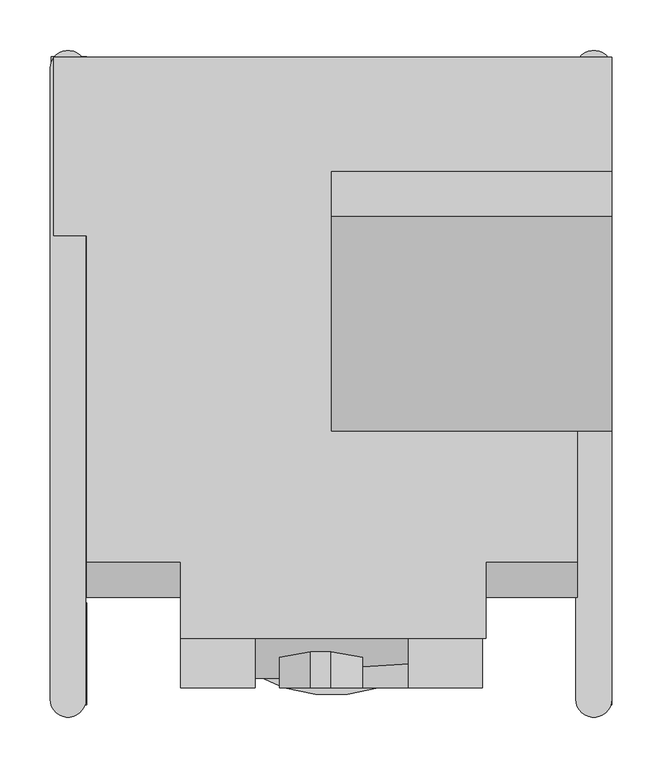
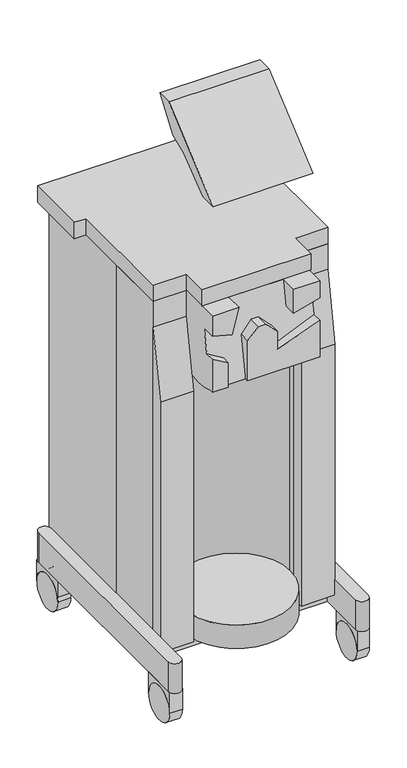
"""IFC4 building model written with IfcOpenShell, lengths in millimetres: proxy geometry."""

import ifcopenshell
import ifcopenshell.guid

model = None  # the IFC model being written
_history = None  # IfcOwnerHistory: only IFC2X3 demands one
_inside = {}  # id of a spatial element -> (the spatial element, [elements in it])
_under = {}  # id of a project, library or spatial element -> (it, [spatial elements below it])
_declared = {}  # id of a project -> (the project, [libraries it declares])
_typed = {}  # id of a type object -> (the type object, [elements of that type])
_made_of = {}  # id of a material, layer set ... -> (it, [elements and type objects made of it])


def new_model(schema):
    """Start an empty IFC model of exactly this schema.

    Asked for "IFC4X3", IfcOpenShell would pick the latest addendum, in which some entities
    have other attributes; the version numbers below select the first issue.
    IFC2X3 requires an IfcOwnerHistory on every rooted entity: one is made here for all.
    """
    global model, _history
    if schema == "IFC4X3":
        model = ifcopenshell.file(schema_version=(4, 3, 0, 0))
    else:
        model = ifcopenshell.file(schema=schema)
    _inside.clear()
    _under.clear()
    _declared.clear()
    _typed.clear()
    _made_of.clear()
    _history = None
    if model.schema == "IFC2X3":
        org = make("IfcOrganization", Name="unknown")
        user = make(
            "IfcPersonAndOrganization",
            ThePerson=make("IfcPerson", FamilyName="unknown"),
            TheOrganization=org,
        )
        app = make(
            "IfcApplication",
            ApplicationDeveloper=org,
            Version="unknown",
            ApplicationFullName="unknown",
            ApplicationIdentifier="unknown",
        )
        _history = make(
            "IfcOwnerHistory",
            OwningUser=user,
            OwningApplication=app,
            ChangeAction="ADDED",
            CreationDate=0,
        )
    return model


def make(cls, **values):
    """One entity of the class cls with the attributes given. An attribute that is None is left unset."""
    return model.create_entity(
        cls, **{name: value for name, value in values.items() if value is not None}
    )


def rooted(cls, **values):
    """An entity with a GlobalId (a new one), such as an element, a storey or a relation."""
    return make(cls, GlobalId=ifcopenshell.guid.new(), OwnerHistory=_history, **values)


def si_unit(unit_type, name, prefix=None):
    """IfcSIUnit, for example si_unit("LENGTHUNIT", "METRE", prefix="MILLI")."""
    return make("IfcSIUnit", UnitType=unit_type, Prefix=prefix, Name=name)


def assignment(units):
    """IfcUnitAssignment: the units of a project."""
    return None if units is None else make("IfcUnitAssignment", Units=units)


def point(xyz):
    """IfcCartesianPoint."""
    return None if xyz is None else make("IfcCartesianPoint", Coordinates=xyz)


def direction(xyz):
    """IfcDirection."""
    return None if xyz is None else make("IfcDirection", DirectionRatios=xyz)


def frame(location, z_axis=None, x_axis=None):
    """IfcAxis2Placement3D, a coordinate frame: its origin and axes. An axis left out is left unset."""
    return make(
        "IfcAxis2Placement3D",
        Location=point(location),
        Axis=direction(z_axis),
        RefDirection=direction(x_axis),
    )


def frame_2d(location, x_axis=None):
    """IfcAxis2Placement2D, a coordinate frame in the plane: its origin and x axis."""
    return make(
        "IfcAxis2Placement2D", Location=point(location), RefDirection=direction(x_axis)
    )


def origin():
    """The frame at (0, 0, 0) with its axes left unset."""
    return frame((0.0, 0.0, 0.0))


def place(relative_to, where):
    """IfcLocalPlacement: puts the frame where relative to a parent placement (None: the world)."""
    return make(
        "IfcLocalPlacement", PlacementRelTo=relative_to, RelativePlacement=where
    )


def context(
    kind, dimensions, precision=None, world=None, true_north=None, identifier=None
):
    """IfcGeometricRepresentationContext, for example the 3D "Model" context."""
    return make(
        "IfcGeometricRepresentationContext",
        ContextIdentifier=identifier,
        ContextType=kind,
        CoordinateSpaceDimension=dimensions,
        Precision=precision,
        WorldCoordinateSystem=world,
        TrueNorth=true_north,
    )


def project(units=None, contexts=None):
    """IfcProject with its units and contexts."""
    return rooted(
        "IfcProject",
        Name="project",
        RepresentationContexts=contexts,
        UnitsInContext=assignment(units),
    )


def spatial(cls, under=None, at=None, **own):
    """A site, building, storey or space (cls), placed at a placement, below another one or the project."""
    s = rooted(cls, ObjectPlacement=at, **own)
    if under is not None:
        _under.setdefault(under.id(), (under, []))[1].append(s)
    return s


def polyline(points):
    """IfcPolyline through the points."""
    return make("IfcPolyline", Points=[point(p) for p in points])


def circle_curve(where, radius):
    """IfcCircle in the frame where."""
    return make("IfcCircle", Position=where, Radius=radius)


def trimmed(basis, trim1, trim2, sense, master):
    """IfcTrimmedCurve: the piece of a basis curve between two trims."""
    return make(
        "IfcTrimmedCurve",
        BasisCurve=basis,
        Trim1=trim1,
        Trim2=trim2,
        SenseAgreement=sense,
        MasterRepresentation=master,
    )


def segment(curve, same_sense, transition):
    """IfcCompositeCurveSegment."""
    return make(
        "IfcCompositeCurveSegment",
        Transition=transition,
        SameSense=same_sense,
        ParentCurve=curve,
    )


def composite_curve(segments, self_intersect=None):
    """IfcCompositeCurve: segments joined end to end."""
    return make("IfcCompositeCurve", Segments=segments, SelfIntersect=self_intersect)


def outline(outer, holes=None, kind="AREA"):
    """IfcArbitraryClosedProfileDef: a profile drawn as a closed curve; with holes, ...WithVoids."""
    if holes is None:
        return make("IfcArbitraryClosedProfileDef", ProfileType=kind, OuterCurve=outer)
    return make(
        "IfcArbitraryProfileDefWithVoids",
        ProfileType=kind,
        OuterCurve=outer,
        InnerCurves=holes,
    )


def extrude(swept, where, along, depth):
    """IfcExtrudedAreaSolid: the profile swept, set in the frame where, extruded along a direction by depth."""
    return make(
        "IfcExtrudedAreaSolid",
        SweptArea=swept,
        Position=where,
        ExtrudedDirection=direction(along),
        Depth=depth,
    )


def faces_of(points, faces, orient=None, outer=None):
    """IfcFace entities. A face is a list of loops; a loop is a list of indices into points, from 0.

    orient and outer hold one flag for each loop. By default every Orientation is true, the
    first loop of a face is its IfcFaceOuterBound and the others are IfcFaceBound.
    """
    made = []
    for i, loops in enumerate(faces):
        bounds = []
        for j, loop in enumerate(loops):
            is_outer = j == 0 if outer is None else outer[i][j]
            bounds.append(
                make(
                    "IfcFaceOuterBound" if is_outer else "IfcFaceBound",
                    Bound=make("IfcPolyLoop", Polygon=[points[k] for k in loop]),
                    Orientation=True if orient is None else orient[i][j],
                )
            )
        made.append(make("IfcFace", Bounds=bounds))
    return made


def faceted_brep(points, faces, orient=None, outer=None, voids=None):
    """IfcFacetedBrep: a solid bounded by flat faces; with voids (closed shells), ...WithVoids."""
    shared = [point(p) for p in points]
    hull = make("IfcClosedShell", CfsFaces=faces_of(shared, faces, orient, outer))
    if voids is None:
        return make("IfcFacetedBrep", Outer=hull)
    return make(
        "IfcFacetedBrepWithVoids",
        Outer=hull,
        Voids=[
            make(cls, CfsFaces=faces_of(shared, fs, o, b)) for cls, fs, o, b in voids
        ],
    )


def shape(context_of_items, identifier, shape_type, items):
    """IfcShapeRepresentation: the items that make up one representation, for example the "Body"."""
    return make(
        "IfcShapeRepresentation",
        ContextOfItems=context_of_items,
        RepresentationIdentifier=identifier,
        RepresentationType=shape_type,
        Items=items,
    )


def source(mapping_origin, context_of_items, identifier, shape_type, items):
    """IfcRepresentationMap: a shape defined once, which mapped items show again and again."""
    return make(
        "IfcRepresentationMap",
        MappingOrigin=mapping_origin,
        MappedRepresentation=shape(context_of_items, identifier, shape_type, items),
    )


def transform(
    local_origin,
    x_axis=None,
    y_axis=None,
    z_axis=None,
    scale=None,
    scale2=None,
    scale3=None,
    uniform=True,
):
    """IfcCartesianTransformationOperator3D, or its non-uniform kind. x_axis, y_axis, z_axis: its Axis1, 2, 3."""
    if uniform:
        return make(
            "IfcCartesianTransformationOperator3D",
            Axis1=direction(x_axis),
            Axis2=direction(y_axis),
            LocalOrigin=point(local_origin),
            Scale=scale,
            Axis3=direction(z_axis),
        )
    return make(
        "IfcCartesianTransformationOperator3DnonUniform",
        Axis1=direction(x_axis),
        Axis2=direction(y_axis),
        LocalOrigin=point(local_origin),
        Scale=scale,
        Axis3=direction(z_axis),
        Scale2=scale2,
        Scale3=scale3,
    )


def mapped(mapping_source, mapping_target):
    """IfcMappedItem: shows the shape of a source again, moved by a transform."""
    return make(
        "IfcMappedItem", MappingSource=mapping_source, MappingTarget=mapping_target
    )


def made_of(thing, what):
    """Note that an element or type object is made of a material, layer set ...; save() writes the relation."""
    if what is not None:
        _made_of.setdefault(what.id(), (what, []))[1].append(thing)
    return thing


def element(
    cls,
    number,
    at=None,
    inside=None,
    cuts=None,
    type_object=None,
    material=None,
    context=None,
    identifier="Body",
    shape_type=None,
    held_by="IfcProductDefinitionShape",
    body=None,
    shapes=None,
    **own,
):
    """One element of the class cls, such as IfcWall. Its Tag is "e" and its number.

    at: its placement. inside: the storey or other place that contains it. cuts: it is an
    opening in that element (IfcRelVoidsElement). A single representation is given by context,
    identifier, shape_type and body (its items); several are given by shapes. held_by: the class
    of the entity that holds the representations. save() writes the other relations.
    """
    e = rooted(cls, Tag="e%d" % number, ObjectPlacement=at, **own)
    if body is not None:
        shapes = [shape(context, identifier, shape_type, body)]
    if shapes is not None:
        e.Representation = make(held_by, Representations=shapes)
    if inside is not None:
        _inside.setdefault(inside.id(), (inside, []))[1].append(e)
    if cuts is not None:
        rooted(
            "IfcRelVoidsElement", RelatingBuildingElement=cuts, RelatedOpeningElement=e
        )
    if type_object is not None:
        _typed.setdefault(type_object.id(), (type_object, []))[1].append(e)
    return made_of(e, material)


def aggregate(whole, parts):
    """IfcRelAggregates: a whole, such as a stair, and the parts it consists of."""
    return rooted("IfcRelAggregates", RelatingObject=whole, RelatedObjects=parts)


def save(model, path):
    """Write the relations noted so far, then the file.

    IfcRelAggregates (storeys below a building ...), IfcRelContainedInSpatialStructure (elements
    in a storey), IfcRelDefinesByType, IfcRelAssociatesMaterial and IfcRelDeclares: one each for
    every whole, place, type object, material and project.
    """
    for whole, parts in _under.values():
        aggregate(whole, parts)
    for where, things in _inside.values():
        rooted(
            "IfcRelContainedInSpatialStructure",
            RelatedElements=things,
            RelatingStructure=where,
        )
    for kind, things in _typed.values():
        rooted("IfcRelDefinesByType", RelatedObjects=things, RelatingType=kind)
    for what, things in _made_of.values():
        rooted("IfcRelAssociatesMaterial", RelatedObjects=things, RelatingMaterial=what)
    for by, libraries in _declared.values():
        rooted("IfcRelDeclares", RelatingContext=by, RelatedDefinitions=libraries)
    model.write(path)


def plane_surface(at):
    """IfcPlane: the flat surface through the origin of the frame at, square to its z axis."""
    return make("IfcPlane", Position=at)


def cylinder_surface(at, radius):
    """IfcCylindricalSurface: all points at the distance radius from the z axis of the frame at."""
    return make("IfcCylindricalSurface", Position=at, Radius=radius)


def revolved_surface(curve, axis_point, axis_direction):
    """IfcSurfaceOfRevolution: the curve turned about the line through axis_point along axis_direction."""
    return make(
        "IfcSurfaceOfRevolution",
        SweptCurve=make("IfcArbitraryOpenProfileDef", ProfileType="CURVE", Curve=curve),
        AxisPosition=make("IfcAxis1Placement", Location=point(axis_point), Axis=direction(axis_direction)),
    )


def advanced_brep(points, edges, surfaces, faces):
    """IfcAdvancedBrep: a solid bounded by faces that lie on surfaces and meet in shared edges.

    An edge is (start, end): straight between two places in points (the first is 0);
    or (start, end, curve); or (start, end, curve, False) where it runs against its curve.
    A face is (place in surfaces, loops), or (place, loops, False) where it looks against
    its surface's normal. A loop lists edges by number (the first is 1), with a minus sign
    where the edge is run from its end to its start. The first loop is the outer one.
    """
    corners = [point(p) for p in points]
    vertices = [make("IfcVertexPoint", VertexGeometry=c) for c in corners]
    made = []
    for start, end, *more in edges:
        made.append(
            make(
                "IfcEdgeCurve",
                EdgeStart=vertices[start],
                EdgeEnd=vertices[end],
                EdgeGeometry=more[0] if more else make("IfcPolyline", Points=[corners[start], corners[end]]),
                SameSense=more[1] if len(more) > 1 else True,
            )
        )
    hull = []
    for where, loops, *sense in faces:
        bounds = []
        for j, loop in enumerate(loops):
            ring = [make("IfcOrientedEdge", EdgeElement=made[abs(k) - 1], Orientation=k > 0) for k in loop]
            bounds.append(
                make(
                    "IfcFaceOuterBound" if j == 0 else "IfcFaceBound",
                    Bound=make("IfcEdgeLoop", EdgeList=ring),
                    Orientation=True,
                )
            )
        hull.append(make("IfcAdvancedFace", Bounds=bounds, FaceSurface=surfaces[where], SameSense=sense[0] if sense else True))
    return make("IfcAdvancedBrep", Outer=make("IfcClosedShell", CfsFaces=hull))


def specialty_equipment_cd9e3837(model_context):
    return source(origin(), model_context, "Body", "SolidModel", [
        advanced_brep(
        [(31.190048, -304.8, 1006.9380598), (31.190048, -304.8, 1060.4753847), (-0.5345673, -304.8, 1092.2), (-21.0690363, -304.8, 1092.2), (-51.8302413, -304.8, 1061.4387949), (-51.8302413, -304.8, 943.2729477), (150.5310109, -304.8, 943.2729477), (150.5310109, -304.8, 1050.374618), (31.190048, -283.9074285, 1006.9380598), (31.190048, -274.4673537, 1060.4753847), (-0.5345673, -268.873448, 1092.2), (-21.0690363, -268.873448, 1092.2), (-51.8302413, -274.2974784, 1061.4387949), (-51.8302413, -295.1333055, 943.2729477), (150.5310109, -295.1333055, 943.2729477), (150.5310109, -179.2373321, 943.2729477), (150.5310109, -179.2373321, 1168.4), (150.5310109, -304.8, 1168.4), (150.5310109, -304.8, 1117.6), (150.5310109, -264.3947427, 1117.6), (150.5310109, -276.2483913, 1050.374618), (-150.5310109, -179.2373321, 1168.4), (-150.5310109, -179.2373321, 943.2729477), (-150.5310109, -295.1333055, 943.2729477), (-150.5310109, -304.8, 943.2729477), (-150.5310109, -304.8, 1041.4), (-150.5310109, -277.8308586, 1041.4), (-150.5310109, -265.83553, 1109.4288894), (-150.5310109, -304.8, 1109.4288894), (-150.5310109, -304.8, 1168.4), (76.9274629, -267.8722654, 1097.8779888), (76.9274629, -255.4373321, 1168.4), (-76.2, -255.4373321, 1168.4), (-95.9220112, -268.4156235, 1094.796452), (-106.5369204, -282.309564, 1016.0), (-106.5369204, -295.1333055, 943.2729477), (-76.2, -304.8, 1168.4), (76.9274629, -304.8, 1168.4), (76.9274629, -304.8, 1097.8779888), (-95.9220112, -304.8, 1094.796452), (-106.5369204, -304.8, 1016.0), (-106.5369204, -304.8, 943.2729477)],
        [
            (0, 1),
            (1, 2),
            (2, 3),
            (3, 4),
            (4, 5),
            (5, 6),
            (6, 7),
            (7, 0),
            (0, 8),
            (8, 9),
            (9, 1),
            (9, 10),
            (10, 2),
            (10, 11),
            (11, 3),
            (11, 12),
            (12, 4),
            (12, 13),
            (13, 5),
            (13, 14),
            (14, 6),
            (14, 15, circle_curve(frame((150.5310109, -237.1853188, 1091.5120177), z_axis=(1.0, 0.0, 0.0), x_axis=(0.0, 1.0, 0.0)), 159.1627816)),
            (15, 16),
            (16, 17),
            (17, 18),
            (18, 19),
            (19, 20),
            (20, 7),
            (20, 8),
            (21, 22),
            (22, 23, circle_curve(frame((-150.5310109, -237.1853188, 1091.5120177), z_axis=(-1.0, 0.0, 0.0), x_axis=(0.0, 1.0, 0.0)), 159.1627816)),
            (23, 24),
            (24, 25),
            (25, 26),
            (26, 27),
            (27, 28),
            (28, 29),
            (29, 21),
            (19, 30),
            (30, 31),
            (31, 32),
            (32, 33),
            (33, 27),
            (26, 34),
            (34, 35),
            (35, 13),
            (35, 23),
            (22, 15),
            (21, 16),
            (29, 36),
            (36, 32),
            (31, 37),
            (37, 17),
            (38, 18),
            (37, 38),
            (38, 30),
            (39, 36),
            (28, 39),
            (39, 33),
            (40, 25),
            (24, 41),
            (41, 40),
            (40, 34),
            (35, 41),
        ],
        [
            plane_surface(frame((31.190048, -304.8, 1006.9380598), z_axis=(0.0, -1.0, 0.0), x_axis=(0.0, 0.0, 1.0))),
            plane_surface(frame((31.190048, -304.8, 1006.9380598), z_axis=(1.0, 0.0, 0.0), x_axis=(0.0, 1.0, 0.0))),
            plane_surface(frame((31.190048, -304.8, 1060.4753847), z_axis=(0.7071067811865496, 0.0, 0.7071067811865456), x_axis=(0.0, 1.0, 0.0))),
            plane_surface(frame((-0.5345673, -304.8, 1092.2), z_axis=(0.0, 0.0, 1.0), x_axis=(0.0, 1.0, 0.0))),
            plane_surface(frame((-21.0690363, -304.8, 1092.2), z_axis=(-0.707106781186545, 0.0, 0.7071067811865501), x_axis=(0.0, 1.0, 0.0))),
            plane_surface(frame((-51.8302413, -304.8, 1061.4387949), z_axis=(-1.0, 0.0, 0.0), x_axis=(0.0, 1.0, 0.0))),
            plane_surface(frame((-51.8302413, -304.8, 943.2729477), z_axis=(0.0, 0.0, -1.0), x_axis=(0.0, 1.0, 0.0))),
            plane_surface(frame((150.5310109, -304.8, 943.2729477), z_axis=(1.0, 0.0, 0.0), x_axis=(0.0, 1.0, 0.0))),
            plane_surface(frame((150.5310109, -304.8, 1050.374618), z_axis=(-0.3420201433256685, 0.0, 0.9396926207859085), x_axis=(0.0, 1.0, 0.0))),
            plane_surface(frame((-150.5310109, -255.4373321, 1168.4), z_axis=(-1.0, 0.0, 0.0), x_axis=(0.0, 0.17364817766693152, 0.9848077530122079))),
            plane_surface(frame((150.5310109, -255.4373321, 1168.4), z_axis=(0.0, -0.9848077530122079, 0.17364817766693152), x_axis=(-1.0, 0.0, 0.0))),
            cylinder_surface(frame((-150.5310109, -237.1853188, 1091.5120177), z_axis=(1.0, 0.0, 0.0), x_axis=(0.0, 1.0, 0.0)), 159.1627816),
            plane_surface(frame((150.5310109, -179.2373321, 943.2729477), z_axis=(0.0, 1.0, 0.0), x_axis=(-1.0, 0.0, 0.0))),
            plane_surface(frame((150.5310109, -179.2373321, 1168.4), z_axis=(0.0, 0.0, 1.0), x_axis=(-1.0, 0.0, 0.0))),
            plane_surface(frame((150.5310109, -304.8, 1117.6), z_axis=(0.0, -1.0000000000000002, 0.0), x_axis=(0.9659258262890681, 0.0, 0.2588190451025219))),
            plane_surface(frame((76.9274629, -304.8, 1097.8779888), z_axis=(0.2588190451025219, 0.0, -0.9659258262890681), x_axis=(0.0, 1.0, 0.0))),
            plane_surface(frame((76.9274629, -304.8, 1168.4), z_axis=(-1.0, 0.0, 0.0), x_axis=(0.0, 1.0, 0.0))),
            plane_surface(frame((-76.2, -304.8, 1168.4), z_axis=(0.0, -1.0000000000000002, 0.0), x_axis=(0.2588190451025218, 0.0, 0.9659258262890681))),
            plane_surface(frame((-95.9220112, -304.8, 1094.796452), z_axis=(0.9659258262890681, 0.0, -0.2588190451025218), x_axis=(0.0, 1.0, 0.0))),
            plane_surface(frame((-150.5310109, -304.8, 1109.4288894), z_axis=(-0.25881904510252624, 0.0, -0.9659258262890669), x_axis=(0.0, 1.0, 0.0))),
            plane_surface(frame((-150.5310109, -304.8, 1041.4), z_axis=(0.0, -1.0, 0.0), x_axis=(-0.8660254037844382, 0.0, 0.5000000000000009))),
            plane_surface(frame((-106.5369204, -304.8, 1016.0), z_axis=(0.5000000000000009, 0.0, 0.8660254037844382), x_axis=(0.0, 1.0, 0.0))),
            plane_surface(frame((-150.5310109, -304.8, 943.2729477), z_axis=(0.0, 0.0, -1.0), x_axis=(0.0, 1.0, 0.0))),
            plane_surface(frame((-106.5369204, -304.8, 943.2729477), z_axis=(1.0, 0.0, 0.0), x_axis=(0.0, 1.0, 0.0))),
        ],
        [
            (0, [[1, 2, 3, 4, 5, 6, 7, 8]]),
            (1, [[-1, 9, 10, 11]]),
            (2, [[-2, -11, 12, 13]]),
            (3, [[-3, -13, 14, 15]]),
            (4, [[-4, -15, 16, 17]]),
            (5, [[-5, -17, 18, 19]]),
            (6, [[-6, -19, 20, 21]]),
            (7, [[-7, -21, 22, 23, 24, 25, 26, 27, 28]]),
            (8, [[-8, -28, 29, -9]]),
            (9, [[30, 31, 32, 33, 34, 35, 36, 37, 38]]),
            (10, [[-10, -29, -27, 39, 40, 41, 42, 43, -35, 44, 45, 46, -18, -16, -14, -12]]),
            (11, [[-22, -20, -46, 47, -31, 48]]),
            (12, [[-23, -48, -30, 49]]),
            (13, [[-49, -38, 50, 51, -41, 52, 53, -24]]),
            (14, [[54, -25, -53, 55]]),
            (15, [[-54, 56, -39, -26]]),
            (16, [[-55, -52, -40, -56]]),
            (17, [[57, -50, -37, 58]]),
            (18, [[-57, 59, -42, -51]]),
            (19, [[-58, -36, -43, -59]]),
            (20, [[60, -33, 61, 62]]),
            (21, [[-60, 63, -44, -34]]),
            (22, [[-61, -32, -47, 64]]),
            (23, [[-62, -64, -45, -63]]),
        ],
    ),
        faceted_brep([(279.4, 146.05, 1377.95), (279.4, 209.9575289, 1464.1268053), (279.4, 165.5075289, 1464.1268053), (279.4, -48.5252886, 1284.5319471), (279.4, 0.0, 1284.5319471), (279.4, 95.25, 1356.3079704), (279.4, 95.25, 1270.0), (279.4, 146.05, 1270.0), (0.0, 95.25, 1356.3079704), (0.0, 0.0, 1284.5319471), (0.0, -48.5252886, 1284.5319471), (0.0, 165.5075289, 1464.1268053), (0.0, 209.9575289, 1464.1268053), (0.0, 146.05, 1377.95), (245.3601172, 146.05, 1377.95), (245.3601172, 95.25, 1356.3079704), (245.3601172, 95.25, 1270.0), (245.3601172, 146.05, 1270.0)], [[[0, 1, 2, 3, 4, 5, 6, 7]], [[8, 9, 10, 11, 12, 13]], [[1, 0, 14, 13, 12]], [[2, 1, 12, 11]], [[3, 2, 11, 10]], [[4, 3, 10, 9]], [[5, 4, 9, 8, 15]], [[6, 5, 15, 16]], [[7, 6, 16, 17]], [[0, 7, 17, 14]], [[15, 14, 17, 16]], [[14, 15, 8, 13]]]),
        extrude(outline(polyline([(279.4, 146.05), (279.4, 95.25), (245.3601172, 95.25), (245.3601172, 146.05), (279.4, 146.05)])), frame((0.0, 0.0, 1168.4), z_axis=(0.0, 0.0, 1.0), x_axis=(1.0, 0.0, 0.0)), (0.0, 0.0, 1.0), 101.6),
        extrude(outline(polyline([(-150.5310109, -179.2373321), (-243.8144634, -179.2373321), (-243.8144634, 146.05), (-276.7922586, 146.05), (-276.7922586, 323.85), (279.4, 323.85), (279.4, 150.9626679), (245.3601172, 150.9626679), (245.3601172, -179.2373321), (154.2689891, -179.2373321), (154.2689891, -255.4373321), (-150.5310109, -255.4373321), (-150.5310109, -179.2373321)])), frame((0.0, 0.0, 1168.4), z_axis=(0.0, 0.0, 1.0), x_axis=(1.0, 0.0, 0.0)), (0.0, 0.0, 1.0), 47.9518791),
        extrude(outline(polyline([(-214.5226418, 892.0870646), (-179.2373321, 1092.2), (-179.2373321, 151.1568458), (-214.5226418, 151.1568458), (-214.5226418, 892.0870646)])), frame((-243.8144634, 0.0, 0.0), z_axis=(1.0, 0.0, 0.0), x_axis=(0.0, 1.0, 0.0)), (0.0, 0.0, 1.0), 93.2834525),
        extrude(outline(polyline([(-214.5226418, 892.0870646), (-179.2373321, 1092.2), (-179.2373321, 151.1568458), (-214.5226418, 151.1568458), (-214.5226418, 892.0870646)])), frame((150.5310109, 0.0, 0.0), z_axis=(1.0, 0.0, 0.0), x_axis=(0.0, 1.0, 0.0)), (0.0, 0.0, 1.0), 94.8291063),
        extrude(outline(composite_curve([segment(trimmed(circle_curve(frame_2d((0.0, -159.5597323)), 152.4), [point((-152.4, -159.5597323))], [point((152.4, -159.5597323))], False, "CARTESIAN"), True, "CONTINUOUS"), segment(trimmed(circle_curve(frame_2d((0.0, -159.5597323)), 152.4), [point((152.4, -159.5597323))], [point((-152.4, -159.5597323))], False, "CARTESIAN"), True, "CONTINUOUS")], self_intersect=False)), frame((0.0, 0.0, 151.1568458), z_axis=(0.0, 0.0, 1.0), x_axis=(1.0, 0.0, 0.0)), (0.0, 0.0, 1.0), 69.4082655),
        advanced_brep(
        [(-243.8144634, 323.85, 1168.4), (-243.8144634, 0.0, 1168.4), (-243.8144634, -179.2373321, 1168.4), (245.3601172, -179.2373321, 1168.4), (245.3601172, 323.85, 1168.4), (-243.8144634, 323.85, 111.211617), (245.3601172, 323.85, 111.211617), (245.3601172, -179.2373321, 111.211617), (-243.8144634, -179.2373321, 111.211617), (-243.8144634, 0.0, 111.211617), (-150.5310109, -179.2373321, 938.5718948), (150.5310109, -179.2373321, 938.5718948), (150.5310109, -179.2373321, 199.0338376), (-150.5310109, -179.2373321, 199.0338376), (-152.4, -155.442905, 938.5718948), (152.4, -155.442905, 938.5718948), (152.4, -155.442905, 199.0338376), (-152.4, -155.442905, 199.0338376)],
        [
            (0, 1),
            (1, 2),
            (2, 3),
            (3, 4),
            (4, 0),
            (5, 6),
            (6, 7),
            (7, 8),
            (8, 9),
            (9, 5),
            (0, 5),
            (9, 1),
            (8, 2),
            (7, 3),
            (10, 11),
            (11, 12),
            (12, 13),
            (13, 10),
            (6, 4),
            (14, 15, circle_curve(frame((0.0, -155.442905, 938.5718948), z_axis=(0.0, 0.0, -1.0), x_axis=(1.0, 0.0, 0.0)), 152.4)),
            (15, 11, circle_curve(frame((0.0, -155.442905, 938.5718948), z_axis=(0.0, 0.0, -1.0), x_axis=(1.0, 0.0, 0.0)), 152.4)),
            (10, 14, circle_curve(frame((0.0, -155.442905, 938.5718948), z_axis=(0.0, 0.0, -1.0), x_axis=(1.0, 0.0, 0.0)), 152.4)),
            (16, 17, circle_curve(frame((0.0, -155.442905, 199.0338376), z_axis=(0.0, 0.0, 1.0), x_axis=(1.0, 0.0, 0.0)), 152.4)),
            (17, 13, circle_curve(frame((0.0, -155.442905, 199.0338376), z_axis=(0.0, 0.0, 1.0), x_axis=(1.0, 0.0, 0.0)), 152.4)),
            (12, 16, circle_curve(frame((0.0, -155.442905, 199.0338376), z_axis=(0.0, 0.0, 1.0), x_axis=(1.0, 0.0, 0.0)), 152.4)),
            (15, 16),
            (17, 14),
        ],
        [
            plane_surface(frame((-243.8144634, 0.0, 1168.4), z_axis=(0.0, 0.0, 1.0), x_axis=(0.0, -1.0, 0.0))),
            plane_surface(frame((-243.8144634, 0.0, 111.211617), z_axis=(0.0, 0.0, -1.0), x_axis=(0.0, 1.0, 0.0))),
            plane_surface(frame((-243.8144634, 323.85, 1168.4), z_axis=(-1.0, 0.0, 0.0), x_axis=(0.0, 0.0, -1.0))),
            plane_surface(frame((-243.8144634, 0.0, 1168.4), z_axis=(-1.0, 0.0, 0.0), x_axis=(0.0, 0.0, -1.0))),
            plane_surface(frame((-243.8144634, -179.2373321, 1168.4), z_axis=(0.0, -1.0, 0.0), x_axis=(0.0, 0.0, -1.0))),
            plane_surface(frame((245.3601172, -179.2373321, 1168.4), z_axis=(1.0, 0.0, 0.0), x_axis=(0.0, 0.0, -1.0))),
            plane_surface(frame((245.3601172, 323.85, 1168.4), z_axis=(0.0, 1.0, 0.0), x_axis=(0.0, 0.0, -1.0))),
            plane_surface(frame((152.4, -155.442905, 938.5718948), z_axis=(0.0, 0.0, -1.0), x_axis=(0.0, 1.0, 0.0))),
            plane_surface(frame((152.4, -155.442905, 199.0338376), z_axis=(0.0, 0.0, 1.0), x_axis=(0.0, -1.0, 0.0))),
            revolved_surface(polyline([(152.4, -155.442905, 938.5718948), (152.4, -155.442905, 199.0338376)]), (0.0, -155.442905, 199.0338376), (0.0, 0.0, 1.0)),
        ],
        [
            (0, [[1, 2, 3, 4, 5]]),
            (1, [[6, 7, 8, 9, 10]]),
            (2, [[-1, 11, -10, 12]]),
            (3, [[-2, -12, -9, 13]]),
            (4, [[-3, -13, -8, 14], [15, 16, 17, 18]]),
            (5, [[-4, -14, -7, 19]]),
            (6, [[-5, -19, -6, -11]]),
            (7, [[20, 21, -15, 22]]),
            (8, [[23, 24, -17, 25]]),
            (9, [[26, -25, -16, -21]]),
            (9, [[27, -22, -18, -24]]),
            (9, [[-20, -27, -23, -26]]),
        ],
    ),
        extrude(outline(composite_curve([segment(trimmed(circle_curve(frame_2d((273.6915531, 49.551594)), 50.8), [point((324.4915531, 49.551594))], [point((222.8915531, 49.551594))], True, "CARTESIAN"), True, "CONTINUOUS"), segment(polyline([(222.8915531, 49.551594), (222.8915531, 111.211617), (324.4915531, 111.211617), (324.4915531, 49.551594)]), True, "CONTINUOUS")], self_intersect=False)), frame((-279.4, 0.0, 0.0), z_axis=(1.0, 0.0, 0.0), x_axis=(0.0, 1.0, 0.0)), (0.0, 0.0, 1.0), 35.5855366),
        advanced_brep(
        [(-243.8144634, -219.9479579, 49.551594), (-243.8144634, -219.9479579, 111.211617), (-243.8144634, -321.5479579, 111.211617), (-243.8144634, -321.5479579, 49.551594), (-279.4, -219.9479579, 49.551594), (-279.4, -321.5479579, 49.551594), (-279.4, -321.5479579, 111.211617), (-279.4, -219.9479579, 111.211617)],
        [
            (0, 1),
            (1, 2),
            (2, 3),
            (3, 0, circle_curve(frame((-243.8144634, -270.7479579, 49.551594), z_axis=(-1.0, 0.0, 0.0), x_axis=(0.0, 1.0, 0.0)), 50.8)),
            (4, 5, circle_curve(frame((-279.4, -270.7479579, 49.551594), z_axis=(1.0, 0.0, 0.0), x_axis=(0.0, 1.0, 0.0)), 50.8)),
            (5, 6),
            (6, 7),
            (7, 4),
            (0, 4),
            (7, 1),
            (6, 2),
            (5, 3),
        ],
        [
            plane_surface(frame((-243.8144634, -219.9479579, 49.551594), z_axis=(1.0, 0.0, 0.0), x_axis=(0.0, 0.0, 1.0))),
            plane_surface(frame((-279.4, -219.9479579, 49.551594), z_axis=(-1.0, 0.0, 0.0), x_axis=(0.0, 0.0, -1.0))),
            plane_surface(frame((-243.8144634, -219.9479579, 49.551594), z_axis=(0.0, 1.0, 0.0), x_axis=(-1.0, 0.0, 0.0))),
            plane_surface(frame((-243.8144634, -219.9479579, 111.211617), z_axis=(0.0, 0.0, 1.0), x_axis=(-1.0, 0.0, 0.0))),
            plane_surface(frame((-243.8144634, -321.5479579, 111.211617), z_axis=(0.0, -1.0, 0.0), x_axis=(-1.0, 0.0, 0.0))),
            revolved_surface(polyline([(-279.4, -219.9479579, 49.551594), (-243.8144634, -219.9479579, 49.551594)]), (-279.4, -270.7479579, 49.551594), (-1.0, 0.0, 0.0)),
        ],
        [
            (0, [[1, 2, 3, 4]]),
            (1, [[5, 6, 7, 8]]),
            (2, [[-1, 9, -8, 10]]),
            (3, [[-2, -10, -7, 11]]),
            (4, [[-3, -11, -6, 12]]),
            (5, [[-4, -12, -5, -9]]),
        ],
    ),
        advanced_brep(
        [(279.4, -219.9479579, 49.551594), (279.4, -219.9479579, 111.211617), (279.4, 222.25, 111.211617), (279.4, 222.25, 49.551594), (279.4, 323.85, 49.551594), (279.4, 323.85, 111.211617), (279.4, 313.0782408, 111.211617), (279.4, 313.0782408, 199.0338376), (279.4, -316.2669769, 199.0338376), (279.4, -316.2669769, 111.211617), (279.4, -321.5479579, 111.211617), (279.4, -321.5479579, 49.551594), (245.3601172, -219.9479579, 49.551594), (245.3601172, -321.5479579, 49.551594), (245.3601172, -321.5479579, 111.211617), (245.3601172, -219.9479579, 111.211617), (278.5982247, -321.5479579, 111.211617), (243.8144634, 313.0782408, 199.0338376), (243.8144634, -316.2669769, 199.0338376), (243.8144634, -316.2669769, 111.211617), (243.8144634, 313.0782408, 111.211617), (245.3601172, 320.331783, 111.211617), (245.3601172, 222.25, 111.211617), (247.4456001, 323.85, 111.211617), (275.7688632, 323.85, 111.211617), (245.3601172, 323.85, 49.551594), (245.3601172, 222.25, 49.551594), (245.3601172, 323.85, 111.211617)],
        [
            (0, 1),
            (1, 2),
            (2, 3),
            (3, 4, circle_curve(frame((279.4, 273.05, 49.551594), z_axis=(-1.0, 0.0, 0.0), x_axis=(0.0, 1.0, 0.0)), 50.8)),
            (4, 5),
            (5, 6),
            (6, 7),
            (7, 8),
            (8, 9),
            (9, 10),
            (10, 11),
            (11, 0, circle_curve(frame((279.4, -270.7479579, 49.551594), z_axis=(-1.0, 0.0, 0.0), x_axis=(0.0, 1.0, 0.0)), 50.8)),
            (12, 13, circle_curve(frame((245.3601172, -270.7479579, 49.551594), z_axis=(1.0, 0.0, 0.0), x_axis=(0.0, 1.0, 0.0)), 50.8)),
            (13, 14),
            (14, 15),
            (15, 12),
            (0, 12),
            (15, 1),
            (9, 16, circle_curve(frame((261.6072317, -316.2669769, 111.211617), z_axis=(0.0, 0.0, -1.0), x_axis=(1.0, 0.0, 0.0)), 17.7927683)),
            (16, 10),
            (16, 14),
            (13, 11),
            (7, 17, circle_curve(frame((261.6072317, 313.0782408, 199.0338376), z_axis=(0.0, 0.0, 1.0), x_axis=(1.0, 0.0, 0.0)), 17.7927683)),
            (17, 18),
            (18, 8, circle_curve(frame((261.6072317, -316.2669769, 199.0338376), z_axis=(0.0, 0.0, 1.0), x_axis=(1.0, 0.0, 0.0)), 17.7927683)),
            (19, 20),
            (20, 21, circle_curve(frame((261.6072317, 313.0782408, 111.211617), z_axis=(0.0, 0.0, -1.0), x_axis=(1.0, 0.0, 0.0)), 17.7927683)),
            (21, 22),
            (22, 2),
            (16, 19, circle_curve(frame((261.6072317, -316.2669769, 111.211617), z_axis=(0.0, 0.0, -1.0), x_axis=(1.0, 0.0, 0.0)), 17.7927683)),
            (23, 24, circle_curve(frame((261.6072317, 313.0782408, 111.211617), z_axis=(0.0, 0.0, -1.0), x_axis=(1.0, 0.0, 0.0)), 17.7927683)),
            (24, 23),
            (6, 24, circle_curve(frame((261.6072317, 313.0782408, 111.211617), z_axis=(0.0, 0.0, 1.0), x_axis=(1.0, 0.0, 0.0)), 17.7927683)),
            (23, 21, circle_curve(frame((261.6072317, 313.0782408, 111.211617), z_axis=(0.0, 0.0, 1.0), x_axis=(1.0, 0.0, 0.0)), 17.7927683)),
            (20, 17),
            (19, 18),
            (25, 26, circle_curve(frame((245.3601172, 273.05, 49.551594), z_axis=(1.0, 0.0, 0.0), x_axis=(0.0, 1.0, 0.0)), 50.8)),
            (26, 22),
            (21, 27),
            (27, 25),
            (4, 25),
            (27, 23),
            (24, 5),
            (26, 3),
        ],
        [
            plane_surface(frame((279.4, -219.9479579, 49.551594), z_axis=(1.0, 0.0, 0.0), x_axis=(0.0, 0.0, 1.0))),
            plane_surface(frame((245.3601172, -219.9479579, 49.551594), z_axis=(-1.0, 0.0, 0.0), x_axis=(0.0, 0.0, -1.0))),
            plane_surface(frame((279.4, -219.9479579, 49.551594), z_axis=(0.0, 1.0, 0.0), x_axis=(-1.0, 0.0, 0.0))),
            plane_surface(frame((279.4, -219.9479579, 111.211617), z_axis=(0.0, 0.0, 1.0), x_axis=(-1.0, 0.0, 0.0))),
            plane_surface(frame((279.4, -321.5479579, 111.211617), z_axis=(0.0, -1.0, 0.0), x_axis=(-1.0, 0.0, 0.0))),
            revolved_surface(polyline([(245.3601172, -219.9479579, 49.551594), (279.4, -219.9479579, 49.551594)]), (245.3601172, -270.7479579, 49.551594), (-1.0, 0.0, 0.0)),
            plane_surface(frame((279.4, 298.45, 199.0338376), z_axis=(0.0, 0.0, 1.0), x_axis=(0.0, 1.0, 0.0))),
            plane_surface(frame((279.4, 298.45, 111.211617), z_axis=(0.0, 0.0, -1.0), x_axis=(0.0, -1.0, 0.0))),
            cylinder_surface(frame((261.6072317, 313.0782408, 111.211617), z_axis=(0.0, 0.0, 1.0), x_axis=(1.0, 0.0, 0.0)), 17.7927683),
            plane_surface(frame((243.8144634, 313.0782408, 199.0338376), z_axis=(-1.0, 0.0, 0.0), x_axis=(0.0, 0.0, -1.0))),
            cylinder_surface(frame((261.6072317, -316.2669769, 111.211617), z_axis=(0.0, 0.0, 1.0), x_axis=(1.0, 0.0, 0.0)), 17.7927683),
            plane_surface(frame((245.3601172, 323.85, 49.551594), z_axis=(-1.0, 0.0, 0.0), x_axis=(0.0, 0.0, -1.0))),
            plane_surface(frame((279.4, 323.85, 49.551594), z_axis=(0.0, 1.0, 0.0), x_axis=(-1.0, 0.0, 0.0))),
            plane_surface(frame((279.4, 323.85, 111.211617), z_axis=(0.0, 0.0, 1.0), x_axis=(-1.0, 0.0, 0.0))),
            plane_surface(frame((279.4, 222.25, 111.211617), z_axis=(0.0, -1.0, 0.0), x_axis=(-1.0, 0.0, 0.0))),
            revolved_surface(polyline([(245.3601172, 323.85, 49.551594), (279.4, 323.85, 49.551594)]), (245.3601172, 273.05, 49.551594), (-1.0, 0.0, 0.0)),
        ],
        [
            (0, [[1, 2, 3, 4, 5, 6, 7, 8, 9, 10, 11, 12]]),
            (1, [[13, 14, 15, 16]]),
            (2, [[-1, 17, -16, 18]]),
            (3, [[-10, 19, 20]]),
            (4, [[-11, -20, 21, -14, 22]]),
            (5, [[-12, -22, -13, -17]]),
            (6, [[-8, 23, 24, 25]]),
            (7, [[26, 27, 28, 29, -2, -18, -15, -21, 30]]),
            (7, [[31, 32]]),
            (8, [[-23, -7, 33, -31, 34, -27, 35]]),
            (9, [[-24, -35, -26, 36]]),
            (10, [[-25, -36, -30, -19, -9]]),
            (11, [[37, 38, -28, 39, 40]]),
            (12, [[-5, 41, -40, 42, -32, 43]]),
            (13, [[-6, -43, -33]]),
            (13, [[-39, -34, -42]]),
            (14, [[-3, -29, -38, 44]]),
            (15, [[-4, -44, -37, -41]]),
        ],
    ),
        extrude(outline(composite_curve([segment(trimmed(circle_curve(frame_2d((-262.6306271, -316.2669769)), 17.7927683), [point((-244.8378587, -316.2669769))], [point((-280.4233954, -316.2669769))], False, "CARTESIAN"), True, "CONTINUOUS"), segment(polyline([(-280.4233954, -316.2669769), (-280.4233954, 313.0782408)]), True, "CONTINUOUS"), segment(trimmed(circle_curve(frame_2d((-262.6306271, 313.0782408)), 17.7927683), [point((-280.4233954, 313.0782408))], [point((-244.8378587, 313.0782408))], False, "CARTESIAN"), True, "CONTINUOUS"), segment(polyline([(-244.8378587, 313.0782408), (-244.8378587, -316.2669769)]), True, "CONTINUOUS")], self_intersect=False)), frame((0.0, 0.0, 111.211617), z_axis=(0.0, 0.0, 1.0), x_axis=(1.0, 0.0, 0.0)), (0.0, 0.0, 1.0), 87.8222206),
        extrude(outline(composite_curve([segment(trimmed(circle_curve(frame_2d((-270.7479579, 49.551594)), 50.8), [point((-321.5479579, 49.551594))], [point((-219.9479579, 49.551594))], False, "CARTESIAN"), True, "CONTINUOUS"), segment(trimmed(circle_curve(frame_2d((-270.7479579, 49.551594)), 50.8), [point((-219.9479579, 49.551594))], [point((-321.5479579, 49.551594))], False, "CARTESIAN"), True, "CONTINUOUS")], self_intersect=False)), frame((-279.4, 0.0, 0.0), z_axis=(1.0, 0.0, 0.0), x_axis=(0.0, 1.0, 0.0)), (0.0, 0.0, 1.0), 35.5855366),
        extrude(outline(composite_curve([segment(trimmed(circle_curve(frame_2d((271.5158223, 49.551594)), 50.8), [point((220.7158223, 49.551594))], [point((322.3158223, 49.551594))], False, "CARTESIAN"), True, "CONTINUOUS"), segment(trimmed(circle_curve(frame_2d((271.5158223, 49.551594)), 50.8), [point((322.3158223, 49.551594))], [point((220.7158223, 49.551594))], False, "CARTESIAN"), True, "CONTINUOUS")], self_intersect=False)), frame((-279.4, 0.0, 0.0), z_axis=(1.0, 0.0, 0.0), x_axis=(0.0, 1.0, 0.0)), (0.0, 0.0, 1.0), 35.5855366),
        extrude(outline(composite_curve([segment(trimmed(circle_curve(frame_2d((-270.7479579, 49.551594)), 50.8), [point((-321.5479579, 49.551594))], [point((-219.9479579, 49.551594))], False, "CARTESIAN"), True, "CONTINUOUS"), segment(trimmed(circle_curve(frame_2d((-270.7479579, 49.551594)), 50.8), [point((-219.9479579, 49.551594))], [point((-321.5479579, 49.551594))], False, "CARTESIAN"), True, "CONTINUOUS")], self_intersect=False)), frame((245.3601172, 0.0, 0.0), z_axis=(1.0, 0.0, 0.0), x_axis=(0.0, 1.0, 0.0)), (0.0, 0.0, 1.0), 34.0398828),
        extrude(outline(composite_curve([segment(trimmed(circle_curve(frame_2d((271.5158223, 49.551594)), 50.8), [point((220.7158223, 49.551594))], [point((322.3158223, 49.551594))], False, "CARTESIAN"), True, "CONTINUOUS"), segment(trimmed(circle_curve(frame_2d((271.5158223, 49.551594)), 50.8), [point((322.3158223, 49.551594))], [point((220.7158223, 49.551594))], False, "CARTESIAN"), True, "CONTINUOUS")], self_intersect=False)), frame((245.3601172, 0.0, 0.0), z_axis=(1.0, 0.0, 0.0), x_axis=(0.0, 1.0, 0.0)), (0.0, 0.0, 1.0), 34.0398828),
    ])


if __name__ == "__main__":
    model = new_model("IFC4")
    model_context = context("Model", 3, world=origin())
    ifc_project = project(units=[si_unit("LENGTHUNIT", "METRE", prefix="MILLI")], contexts=[model_context])
    site = spatial("IfcSite", under=ifc_project)
    building = spatial("IfcBuilding", under=site)
    placement = place(None, origin())
    specialty_equipment_shape = specialty_equipment_cd9e3837(model_context)
    element("IfcBuildingElementProxy", 1, Name="Specialty Equipment", at=placement, inside=building, context=model_context, shape_type="MappedRepresentation", body=[
        mapped(specialty_equipment_shape, transform((0.0, 0.0, 0.0), x_axis=(1.0, 0.0, 0.0), y_axis=(0.0, 1.0, 0.0), z_axis=(0.0, 0.0, 1.0))),
    ])
    save(model, "model.ifc")
